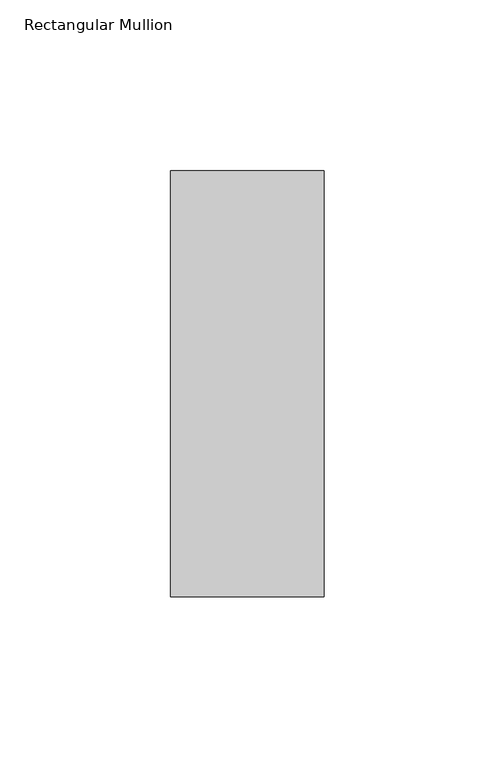
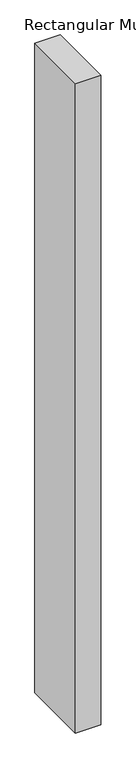
"""IFC4 building model written with IfcOpenShell, lengths in millimetres: member geometry, Rectangular Mullion."""

from ifc_helpers import new_model, si_unit, frame, origin, place, context, project, spatial, polyline, outline, extrude, source, transform, mapped, element, save


def rectangular_mullion_eb2563f7(model_context):
    return source(origin(), model_context, "Body", "SweptSolid", [
        extrude(outline(polyline([(-45.0, -77.84375), (-45.0, 46.84375), (0.0, 46.84375), (0.0, -77.84375), (-45.0, -77.84375)])), frame((0.0, 0.0, -1219.2), z_axis=(0.0, 0.0, 1.0), x_axis=(1.0, 0.0, 0.0)), (0.0, 0.0, 1.0), 1219.2),
    ])


if __name__ == "__main__":
    model = new_model("IFC4")
    model_context = context("Model", 3, world=origin())
    ifc_project = project(units=[si_unit("LENGTHUNIT", "METRE", prefix="MILLI")], contexts=[model_context])
    site = spatial("IfcSite", under=ifc_project)
    building = spatial("IfcBuilding", under=site)
    placement = place(None, origin())
    rectangular_mullion_shape = rectangular_mullion_eb2563f7(model_context)
    element("IfcMember", 1, ObjectType="Rectangular Mullion", at=placement, inside=building, context=model_context, shape_type="MappedRepresentation", body=[
        mapped(rectangular_mullion_shape, transform((0.0, 0.0, 0.0), x_axis=(1.0, 0.0, 0.0), y_axis=(0.0, 1.0, 0.0), z_axis=(0.0, 0.0, 1.0))),
    ])
    save(model, "model.ifc")
